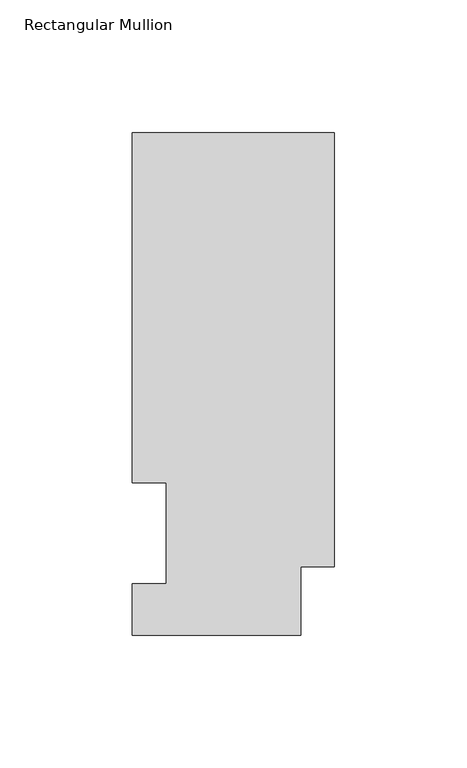
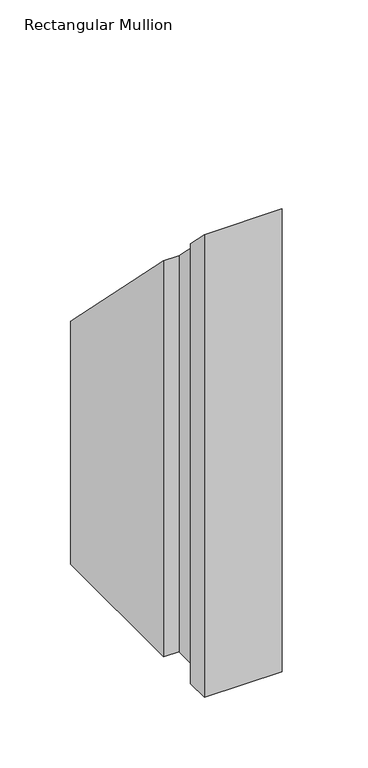
"""IFC4 building model written with IfcOpenShell, lengths in millimetres: member geometry, Rectangular Mullion."""

from ifc_helpers import new_model, si_unit, origin, place, context, project, spatial, faceted_brep, source, transform, mapped, element, save


def rectangular_mullion_9aa0cb3e(model_context):
    return source(origin(), model_context, "Body", "Brep", [
        faceted_brep([(0.0, 189.8022938, -400.05), (0.0, 25.8955957, -400.05), (-12.7, 25.8955957, -400.05), (-12.7, 0.0134938, -400.05), (-76.2, 0.0134938, -400.05), (-76.2, 19.5460938, -400.05), (-63.5, 19.5460938, -400.05), (-63.5, 57.6460937, -400.05), (-76.2, 57.6460937, -400.05), (-76.2, 189.8022938, -400.05), (-76.2, 189.8022937, -189.8022937), (0.0, 189.8022938, -189.8022937), (-76.2, 57.6460937, -57.6460937), (-63.5, 57.6460937, -57.6460937), (-63.5, 19.5460938, -19.5460938), (-76.2, 19.5460938, -19.5460938), (-76.2, 0.0134938, -0.0134938), (-12.7, 0.0134938, -0.0134938), (-12.7, 25.8955957, -25.8955957), (0.0, 25.8955957, -25.8955957)], [[[0, 1, 2, 3, 4, 5, 6, 7, 8, 9]], [[10, 11, 0, 9]], [[12, 10, 9, 8]], [[13, 12, 8, 7]], [[14, 13, 7, 6]], [[15, 14, 6, 5]], [[16, 15, 5, 4]], [[17, 16, 4, 3]], [[18, 17, 3, 2]], [[19, 18, 2, 1]], [[11, 19, 1, 0]], [[11, 10, 12, 13, 14, 15, 16, 17, 18, 19]]]),
    ])


if __name__ == "__main__":
    model = new_model("IFC4")
    model_context = context("Model", 3, world=origin())
    ifc_project = project(units=[si_unit("LENGTHUNIT", "METRE", prefix="MILLI")], contexts=[model_context])
    site = spatial("IfcSite", under=ifc_project)
    building = spatial("IfcBuilding", under=site)
    placement = place(None, origin())
    rectangular_mullion_shape = rectangular_mullion_9aa0cb3e(model_context)
    element("IfcMember", 1, ObjectType="Rectangular Mullion", at=placement, inside=building, context=model_context, shape_type="MappedRepresentation", body=[
        mapped(rectangular_mullion_shape, transform((0.0, 0.0, 0.0), x_axis=(1.0, 0.0, 0.0), y_axis=(0.0, 1.0, 0.0), z_axis=(0.0, 0.0, 1.0))),
    ])
    save(model, "model.ifc")
